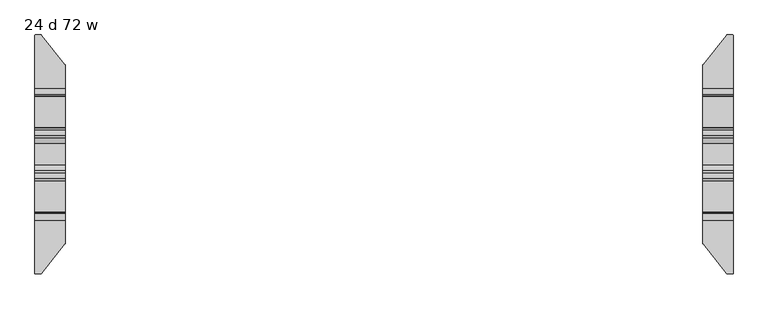
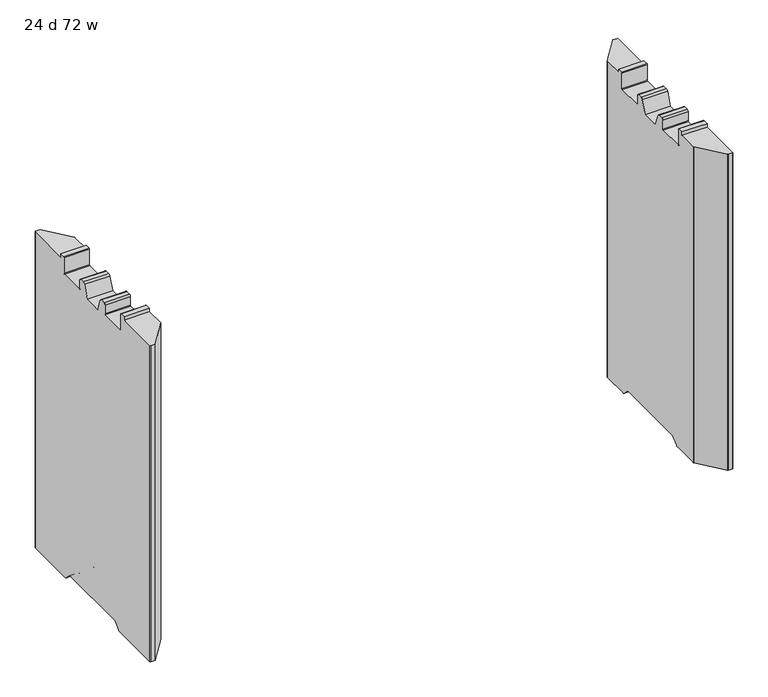
"""IFC4 building model written with IfcOpenShell, lengths in millimetres: furniture geometry, 24 d 72 w."""

from ifc_helpers import new_model, si_unit, frame, origin, place, context, project, spatial, polyline, circle_curve, source, transform, mapped, element, save
from ifc_brep_helpers import plane_surface, cylinder_surface, revolved_surface, advanced_brep


def furniture_24_d_72_w_faf47363(model_context):
    return source(origin(), model_context, "Body", "AdvancedBrep", [
        advanced_brep(
        [(-865.5161014, 301.356006, 12.2237497), (-863.8757746, 300.5624669, 12.2237497), (-804.6991168, 225.81303, 12.2237497), (-804.1789661, 224.3179953, 12.2237497), (-804.1789661, 142.5587399, 12.2237497), (-880.3632694, 142.5587399, 12.2237497), (-880.3632694, 299.7791145, 12.2237497), (-878.7863779, 301.356006, 12.2237497), (-804.1789661, -224.3179953, 12.2237497), (-804.6991168, -225.81303, 12.2237497), (-863.8757746, -300.5624669, 12.2237497), (-865.5161014, -301.356006, 12.2237497), (-878.7863779, -301.356006, 12.2237497), (-880.3632694, -299.7791145, 12.2237497), (-880.3632694, -142.5587399, 12.2237497), (-804.1789661, -142.5587399, 12.2237497), (-878.7863779, 301.356006, 1021.0901447), (-865.5161014, 301.356006, 1021.0901447), (-880.3632694, 299.7791145, 1021.0901447), (-880.3632694, 137.3594731, 14.3773565), (-880.3632694, 120.8848361, 30.8519935), (-880.3632694, 115.650421, 33.0201593), (-880.3632694, -115.650421, 33.0201593), (-880.3632694, -120.8848361, 30.8519935), (-880.3632694, -137.3594731, 14.3773565), (-880.3632694, -299.7791145, 1021.0901447), (-880.3632694, -165.7440074, 1021.0901447), (-880.3632694, -165.7440074, 1032.1001558), (-880.3632694, -149.8559965, 1032.1001558), (-880.3632694, -147.8560005, 1030.1001598), (-880.3632694, -147.8560005, 980.6251456), (-880.3632694, -145.8560045, 978.6251495), (-880.3632694, -67.8560008, 978.6251495), (-880.3632694, -65.8560002, 980.6251501), (-880.3632694, -65.8560002, 1008.6251352), (-880.3632694, -60.855942, 1013.6251934), (-880.3632694, -47.3023259, 1013.6251934), (-880.3632694, -41.335277, 1009.4470192), (-880.3632694, -27.2052798, 970.6251291), (-880.3632694, 27.2052798, 970.6251291), (-880.3632694, 41.335277, 1009.4470192), (-880.3632694, 47.3023259, 1013.6251934), (-880.3632694, 60.855942, 1013.6251934), (-880.3632694, 65.8560002, 1008.6251352), (-880.3632694, 65.8560002, 980.6251501), (-880.3632694, 67.8560008, 978.6251495), (-880.3632694, 145.8560045, 978.6251495), (-880.3632694, 147.8560005, 980.6251456), (-880.3632694, 147.8560005, 1030.1001598), (-880.3632694, 149.8559965, 1032.1001558), (-880.3632694, 165.7440074, 1032.1001558), (-880.3632694, 165.7440074, 1021.0901447), (-878.7863779, -301.356006, 1021.0901447), (-865.5161014, -301.356006, 1021.0901447), (-863.8757746, -300.5624669, 1021.0901447), (-804.6991168, -225.81303, 1021.0901447), (-804.1789661, -224.3179953, 1021.0901447), (-804.1789661, -137.3594731, 14.3773565), (-804.1789661, -120.8848361, 30.8519935), (-804.1789661, -115.650421, 33.0201593), (-804.1789661, 115.650421, 33.0201593), (-804.1789661, 120.8848361, 30.8519935), (-804.1789661, 137.3594731, 14.3773565), (-804.1789661, 224.3179953, 1021.0901447), (-804.1789661, 165.7440074, 1021.0901447), (-804.1789661, 165.7440074, 1032.1001558), (-804.1789661, 149.8559965, 1032.1001558), (-804.1789661, 147.8560005, 1030.1001598), (-804.1789661, 147.8560005, 980.6251456), (-804.1789661, 145.8560045, 978.6251495), (-804.1789661, 67.8560008, 978.6251495), (-804.1789661, 65.8560002, 980.6251501), (-804.1789661, 65.8560002, 1008.6251352), (-804.1789661, 60.855942, 1013.6251934), (-804.1789661, 47.3023259, 1013.6251934), (-804.1789661, 41.335277, 1009.4470192), (-804.1789661, 27.2052798, 970.6251291), (-804.1789661, -27.2052798, 970.6251291), (-804.1789661, -41.335277, 1009.4470192), (-804.1789661, -47.3023259, 1013.6251934), (-804.1789661, -60.855942, 1013.6251934), (-804.1789661, -65.8560002, 1008.6251352), (-804.1789661, -65.8560002, 980.6251501), (-804.1789661, -67.8560008, 978.6251495), (-804.1789661, -145.8560045, 978.6251495), (-804.1789661, -147.8560005, 980.6251456), (-804.1789661, -147.8560005, 1030.1001598), (-804.1789661, -149.8559965, 1032.1001558), (-804.1789661, -165.7440074, 1032.1001558), (-804.1789661, -165.7440074, 1021.0901447), (-804.6991168, 225.81303, 1021.0901447), (-863.8757746, 300.5624669, 1021.0901447)],
        [
            (0, 1, circle_curve(frame((-865.5161014, 299.2638745, 12.2237497), z_axis=(0.0, 0.0, -1.0), x_axis=(-1.0, 0.0, 0.0)), 2.0921315)),
            (1, 2),
            (2, 3, circle_curve(frame((-806.587581, 224.3179953, 12.2237497), z_axis=(0.0, 0.0, -1.0), x_axis=(-1.0, 0.0, 0.0)), 2.4086149)),
            (3, 4),
            (4, 5),
            (5, 6),
            (6, 7, circle_curve(frame((-878.7863779, 299.7791145, 12.2237497), z_axis=(0.0, 0.0, -1.0), x_axis=(-1.0, 0.0, 0.0)), 1.5768915)),
            (7, 0),
            (8, 9, circle_curve(frame((-806.587581, -224.3179953, 12.2237497), z_axis=(0.0, 0.0, -1.0), x_axis=(-1.0, 0.0, 0.0)), 2.4086149)),
            (9, 10),
            (10, 11, circle_curve(frame((-865.5161014, -299.2638745, 12.2237497), z_axis=(0.0, 0.0, -1.0), x_axis=(-1.0, 0.0, 0.0)), 2.0921315)),
            (11, 12),
            (12, 13, circle_curve(frame((-878.7863779, -299.7791145, 12.2237497), z_axis=(0.0, 0.0, -1.0), x_axis=(-1.0, 0.0, 0.0)), 1.5768915)),
            (13, 14),
            (14, 15),
            (15, 8),
            (7, 16),
            (16, 17),
            (17, 0),
            (6, 18),
            (18, 16, circle_curve(frame((-878.7863779, 299.7791145, 1021.0901447), z_axis=(0.0, 0.0, -1.0), x_axis=(-1.0, 0.0, 0.0)), 1.5768915)),
            (5, 19, circle_curve(frame((-880.3632694, 142.5587399, 19.5766232), z_axis=(-1.0, 0.0, 0.0), x_axis=(0.0, -1.0, 0.0)), 7.3528735)),
            (19, 20),
            (20, 21, circle_curve(frame((-880.3632694, 115.650421, 25.6175784), z_axis=(1.0, 0.0, 0.0), x_axis=(0.0, -1.0, 0.0)), 7.4025809)),
            (21, 22),
            (22, 23, circle_curve(frame((-880.3632694, -115.650421, 25.6175784), z_axis=(1.0, 0.0, 0.0), x_axis=(0.0, -1.0, 0.0)), 7.4025809)),
            (23, 24),
            (24, 14, circle_curve(frame((-880.3632694, -142.5587399, 19.5766232), z_axis=(-1.0, 0.0, 0.0), x_axis=(0.0, -1.0, 0.0)), 7.3528735)),
            (13, 25),
            (25, 26),
            (26, 27),
            (27, 28),
            (28, 29, circle_curve(frame((-880.3632694, -149.8559965, 1030.1001598), z_axis=(-1.0, 0.0, 0.0), x_axis=(0.0, -1.0, 0.0)), 1.999996)),
            (29, 30),
            (30, 31, circle_curve(frame((-880.3632694, -145.8560045, 980.6251456), z_axis=(1.0, 0.0, 0.0), x_axis=(0.0, -1.0, 0.0)), 1.999996)),
            (31, 32),
            (32, 33, circle_curve(frame((-880.3632694, -67.8560008, 980.6251501), z_axis=(1.0, 0.0, 0.0), x_axis=(0.0, -1.0, 0.0)), 2.0000006)),
            (33, 34),
            (34, 35, circle_curve(frame((-880.3632694, -60.855942, 1008.6251352), z_axis=(-1.0, 0.0, 0.0), x_axis=(0.0, -1.0, 0.0)), 5.0000582)),
            (35, 36),
            (36, 37, circle_curve(frame((-880.3632694, -47.3023259, 1007.2751934), z_axis=(-1.0, 0.0, 0.0), x_axis=(0.0, -1.0, 0.0)), 6.35)),
            (37, 38),
            (38, 39),
            (39, 40),
            (40, 41, circle_curve(frame((-880.3632694, 47.3023259, 1007.2751934), z_axis=(-1.0, 0.0, 0.0), x_axis=(0.0, -1.0, 0.0)), 6.35)),
            (41, 42),
            (42, 43, circle_curve(frame((-880.3632694, 60.855942, 1008.6251352), z_axis=(-1.0, 0.0, 0.0), x_axis=(0.0, -1.0, 0.0)), 5.0000582)),
            (43, 44),
            (44, 45, circle_curve(frame((-880.3632694, 67.8560008, 980.6251501), z_axis=(1.0, 0.0, 0.0), x_axis=(0.0, -1.0, 0.0)), 2.0000006)),
            (45, 46),
            (46, 47, circle_curve(frame((-880.3632694, 145.8560045, 980.6251456), z_axis=(1.0, 0.0, 0.0), x_axis=(0.0, -1.0, 0.0)), 1.999996)),
            (47, 48),
            (48, 49, circle_curve(frame((-880.3632694, 149.8559965, 1030.1001598), z_axis=(-1.0, 0.0, 0.0), x_axis=(0.0, -1.0, 0.0)), 1.999996)),
            (49, 50),
            (50, 51),
            (51, 18),
            (12, 52),
            (52, 25, circle_curve(frame((-878.7863779, -299.7791145, 1021.0901447), z_axis=(0.0, 0.0, -1.0), x_axis=(-1.0, 0.0, 0.0)), 1.5768915)),
            (11, 53),
            (53, 52),
            (10, 54),
            (54, 53, circle_curve(frame((-865.5161014, -299.2638745, 1021.0901447), z_axis=(0.0, 0.0, -1.0), x_axis=(-1.0, 0.0, 0.0)), 2.0921315)),
            (9, 55),
            (55, 54),
            (8, 56),
            (56, 55, circle_curve(frame((-806.587581, -224.3179953, 1021.0901447), z_axis=(0.0, 0.0, -1.0), x_axis=(-1.0, 0.0, 0.0)), 2.4086149)),
            (15, 57, circle_curve(frame((-804.1789661, -142.5587399, 19.5766232), z_axis=(1.0, 0.0, 0.0), x_axis=(0.0, -1.0, 0.0)), 7.3528735)),
            (57, 58),
            (58, 59, circle_curve(frame((-804.1789661, -115.650421, 25.6175784), z_axis=(-1.0, 0.0, 0.0), x_axis=(0.0, -1.0, 0.0)), 7.4025809)),
            (59, 60),
            (60, 61, circle_curve(frame((-804.1789661, 115.650421, 25.6175784), z_axis=(-1.0, 0.0, 0.0), x_axis=(0.0, -1.0, 0.0)), 7.4025809)),
            (61, 62),
            (62, 4, circle_curve(frame((-804.1789661, 142.5587399, 19.5766232), z_axis=(1.0, 0.0, 0.0), x_axis=(0.0, -1.0, 0.0)), 7.3528735)),
            (3, 63),
            (63, 64),
            (64, 65),
            (65, 66),
            (66, 67, circle_curve(frame((-804.1789661, 149.8559965, 1030.1001598), z_axis=(1.0, 0.0, 0.0), x_axis=(0.0, -1.0, 0.0)), 1.999996)),
            (67, 68),
            (68, 69, circle_curve(frame((-804.1789661, 145.8560045, 980.6251456), z_axis=(-1.0, 0.0, 0.0), x_axis=(0.0, -1.0, 0.0)), 1.999996)),
            (69, 70),
            (70, 71, circle_curve(frame((-804.1789661, 67.8560008, 980.6251501), z_axis=(-1.0, 0.0, 0.0), x_axis=(0.0, -1.0, 0.0)), 2.0000006)),
            (71, 72),
            (72, 73, circle_curve(frame((-804.1789661, 60.855942, 1008.6251352), z_axis=(1.0, 0.0, 0.0), x_axis=(0.0, -1.0, 0.0)), 5.0000582)),
            (73, 74),
            (74, 75, circle_curve(frame((-804.1789661, 47.3023259, 1007.2751934), z_axis=(1.0, 0.0, 0.0), x_axis=(0.0, -1.0, 0.0)), 6.35)),
            (75, 76),
            (76, 77),
            (77, 78),
            (78, 79, circle_curve(frame((-804.1789661, -47.3023259, 1007.2751934), z_axis=(1.0, 0.0, 0.0), x_axis=(0.0, -1.0, 0.0)), 6.35)),
            (79, 80),
            (80, 81, circle_curve(frame((-804.1789661, -60.855942, 1008.6251352), z_axis=(1.0, 0.0, 0.0), x_axis=(0.0, -1.0, 0.0)), 5.0000582)),
            (81, 82),
            (82, 83, circle_curve(frame((-804.1789661, -67.8560008, 980.6251501), z_axis=(-1.0, 0.0, 0.0), x_axis=(0.0, -1.0, 0.0)), 2.0000006)),
            (83, 84),
            (84, 85, circle_curve(frame((-804.1789661, -145.8560045, 980.6251456), z_axis=(-1.0, 0.0, 0.0), x_axis=(0.0, -1.0, 0.0)), 1.999996)),
            (85, 86),
            (86, 87, circle_curve(frame((-804.1789661, -149.8559965, 1030.1001598), z_axis=(1.0, 0.0, 0.0), x_axis=(0.0, -1.0, 0.0)), 1.999996)),
            (87, 88),
            (88, 89),
            (89, 56),
            (2, 90),
            (90, 63, circle_curve(frame((-806.587581, 224.3179953, 1021.0901447), z_axis=(0.0, 0.0, -1.0), x_axis=(-1.0, 0.0, 0.0)), 2.4086149)),
            (1, 91),
            (91, 90),
            (17, 91, circle_curve(frame((-865.5161014, 299.2638745, 1021.0901447), z_axis=(0.0, 0.0, -1.0), x_axis=(-1.0, 0.0, 0.0)), 2.0921315)),
            (50, 65),
            (64, 51),
            (89, 26),
            (88, 27),
            (87, 28),
            (86, 29),
            (85, 30),
            (84, 31),
            (83, 32),
            (82, 33),
            (81, 34),
            (80, 35),
            (79, 36),
            (78, 37),
            (77, 38),
            (76, 39),
            (75, 40),
            (74, 41),
            (73, 42),
            (72, 43),
            (71, 44),
            (70, 45),
            (69, 46),
            (68, 47),
            (67, 48),
            (66, 49),
            (19, 62),
            (61, 20),
            (60, 21),
            (59, 22),
            (58, 23),
            (57, 24),
        ],
        [
            plane_surface(frame((-878.7863779, 301.356006, 12.2237497), z_axis=(0.0, 0.0, -1.0), x_axis=(1.0, 0.0, 0.0))),
            plane_surface(frame((-865.5161014, 301.356006, 1037.2344355), z_axis=(0.0, 1.0, 0.0), x_axis=(0.0, 0.0, -1.0))),
            cylinder_surface(frame((-878.7863779, 299.7791145, 12.2237497), z_axis=(0.0, 0.0, 1.0), x_axis=(-1.0, 0.0, 0.0)), 1.5768915),
            plane_surface(frame((-880.3632694, 299.7791145, 1037.2344355), z_axis=(-1.0, 0.0, 0.0), x_axis=(0.0, 0.0, -1.0))),
            cylinder_surface(frame((-878.7863779, -299.7791145, 12.2237497), z_axis=(0.0, 0.0, 1.0), x_axis=(-1.0, 0.0, 0.0)), 1.5768915),
            plane_surface(frame((-878.7863779, -301.356006, 1037.2344355), z_axis=(0.0, -1.0, 0.0), x_axis=(0.0, 0.0, -1.0))),
            cylinder_surface(frame((-865.5161014, -299.2638745, 12.2237497), z_axis=(0.0, 0.0, 1.0), x_axis=(-1.0, 0.0, 0.0)), 2.0921315),
            plane_surface(frame((-863.8757746, -300.5624669, 1037.2344355), z_axis=(0.7840457211746515, -0.620703074833467, 0.0), x_axis=(0.0, 0.0, -1.0))),
            cylinder_surface(frame((-806.587581, -224.3179953, 12.2237497), z_axis=(0.0, 0.0, 1.0), x_axis=(-1.0, 0.0, 0.0)), 2.4086149),
            plane_surface(frame((-804.1789661, -224.3179953, 1037.2344355), z_axis=(1.0, 0.0, 0.0), x_axis=(0.0, 0.0, -1.0))),
            cylinder_surface(frame((-806.587581, 224.3179953, 12.2237497), z_axis=(0.0, 0.0, 1.0), x_axis=(-1.0, 0.0, 0.0)), 2.4086149),
            plane_surface(frame((-804.6991168, 225.81303, 1037.2344355), z_axis=(0.7840457211746271, 0.6207030748334981, 0.0), x_axis=(0.0, 0.0, -1.0))),
            cylinder_surface(frame((-865.5161014, 299.2638745, 12.2237497), z_axis=(0.0, 0.0, 1.0), x_axis=(-1.0, 0.0, 0.0)), 2.0921315),
            plane_surface(frame((880.3632694, 165.7440074, 1032.1001558), z_axis=(0.0, 1.0, 0.0), x_axis=(-1.0, 0.0, 0.0))),
            plane_surface(frame((880.3632694, 165.7440074, 1021.0901447), z_axis=(0.0, 0.0, 1.0), x_axis=(-1.0, 0.0, 0.0))),
            plane_surface(frame((880.3632694, -302.7440027, 1021.0901447), z_axis=(0.0, 0.0, 1.0), x_axis=(-1.0, 0.0, 0.0))),
            plane_surface(frame((880.3632694, -165.7440074, 1021.0901447), z_axis=(0.0, -1.0, 0.0), x_axis=(-1.0, 0.0, 0.0))),
            plane_surface(frame((880.3632694, -165.7440074, 1032.1001558), z_axis=(0.0, 0.0, 1.0), x_axis=(-1.0, 0.0, 0.0))),
            cylinder_surface(frame((880.3632694, -149.8559965, 1030.1001598), z_axis=(-1.0, 0.0, 0.0), x_axis=(0.0, -1.0, 0.0)), 1.999996),
            plane_surface(frame((880.3632694, -147.8560005, 1030.1001598), z_axis=(0.0, 1.0, 0.0), x_axis=(-1.0, 0.0, 0.0))),
            revolved_surface(polyline([(-804.1789661, -147.85600050000002, 980.6251456), (-880.3632694, -147.85600050000002, 980.6251456)]), (880.3632694, -145.8560045, 980.6251456), (1.0, 0.0, 0.0)),
            plane_surface(frame((880.3632694, -145.8560045, 978.6251495), z_axis=(0.0, 0.0, 1.0), x_axis=(-1.0, 0.0, 0.0))),
            revolved_surface(polyline([(-804.1789661, -69.8560014, 980.6251501), (-880.3632694, -69.8560014, 980.6251501)]), (880.3632694, -67.8560008, 980.6251501), (1.0, 0.0, 0.0)),
            plane_surface(frame((880.3632694, -65.8560002, 980.6251501), z_axis=(0.0, -1.0, 0.0), x_axis=(-1.0, 0.0, 0.0))),
            cylinder_surface(frame((880.3632694, -60.855942, 1008.6251352), z_axis=(-1.0, 0.0, 0.0), x_axis=(0.0, -1.0, 0.0)), 5.0000582),
            plane_surface(frame((880.3632694, -60.855942, 1013.6251934), z_axis=(0.0, 0.0, 1.0), x_axis=(-1.0, 0.0, 0.0))),
            cylinder_surface(frame((880.3632694, -47.3023259, 1007.2751934), z_axis=(-1.0, 0.0, 0.0), x_axis=(0.0, -1.0, 0.0)), 6.35),
            plane_surface(frame((880.3632694, -41.335277, 1009.4470192), z_axis=(0.0, 0.9396927394269927, 0.3420198173617928), x_axis=(-1.0, 0.0, 0.0))),
            plane_surface(frame((880.3632694, -27.2052798, 970.6251291), z_axis=(0.0, 0.0, 1.0), x_axis=(-1.0, 0.0, 0.0))),
            plane_surface(frame((880.3632694, 27.2052798, 970.6251291), z_axis=(0.0, -0.9396927394269927, 0.3420198173617928), x_axis=(-1.0, 0.0, 0.0))),
            cylinder_surface(frame((880.3632694, 47.3023259, 1007.2751934), z_axis=(-1.0, 0.0, 0.0), x_axis=(0.0, -1.0, 0.0)), 6.35),
            plane_surface(frame((880.3632694, 47.3023259, 1013.6251934), z_axis=(0.0, 0.0, 1.0), x_axis=(-1.0, 0.0, 0.0))),
            cylinder_surface(frame((880.3632694, 60.855942, 1008.6251352), z_axis=(-1.0, 0.0, 0.0), x_axis=(0.0, -1.0, 0.0)), 5.0000582),
            plane_surface(frame((880.3632694, 65.8560002, 1008.6251352), z_axis=(0.0, 1.0, 0.0), x_axis=(-1.0, 0.0, 0.0))),
            revolved_surface(polyline([(-804.1789661, 65.85600020000001, 980.6251501), (-880.3632694, 65.85600020000001, 980.6251501)]), (880.3632694, 67.8560008, 980.6251501), (1.0, 0.0, 0.0)),
            plane_surface(frame((880.3632694, 67.8560008, 978.6251495), z_axis=(0.0, 0.0, 1.0), x_axis=(-1.0, 0.0, 0.0))),
            revolved_surface(polyline([(-804.1789661, 143.8560085, 980.6251456), (-880.3632694, 143.8560085, 980.6251456)]), (880.3632694, 145.8560045, 980.6251456), (1.0, 0.0, 0.0)),
            plane_surface(frame((880.3632694, 147.8560005, 980.6251456), z_axis=(0.0, -1.0, 0.0), x_axis=(-1.0, 0.0, 0.0))),
            cylinder_surface(frame((880.3632694, 149.8559965, 1030.1001598), z_axis=(-1.0, 0.0, 0.0), x_axis=(0.0, -1.0, 0.0)), 1.999996),
            plane_surface(frame((880.3632694, 149.8559965, 1032.1001558), z_axis=(0.0, 0.0, 1.0), x_axis=(-1.0, 0.0, 0.0))),
            plane_surface(frame((880.3632694, 137.3594731, 14.3773565), z_axis=(0.0, -0.7071067811865476, -0.7071067811865476), x_axis=(-1.0, 0.0, 0.0))),
            revolved_surface(polyline([(-804.1789661, 108.24784009999999, 25.6175784), (-880.3632694, 108.24784009999999, 25.6175784)]), (880.3632694, 115.650421, 25.6175784), (1.0, 0.0, 0.0)),
            plane_surface(frame((880.3632694, 115.650421, 33.0201593), z_axis=(0.0, 0.0, -1.0), x_axis=(-1.0, 0.0, 0.0))),
            revolved_surface(polyline([(-804.1789661, -123.0530019, 25.6175784), (-880.3632694, -123.0530019, 25.6175784)]), (880.3632694, -115.650421, 25.6175784), (1.0, 0.0, 0.0)),
            plane_surface(frame((880.3632694, -120.8848361, 30.8519935), z_axis=(0.0, 0.7071067811865467, -0.7071067811865483), x_axis=(-1.0, 0.0, 0.0))),
            cylinder_surface(frame((880.3632694, -142.5587399, 19.5766232), z_axis=(-1.0, 0.0, 0.0), x_axis=(0.0, -1.0, 0.0)), 7.3528735),
            cylinder_surface(frame((880.3632694, 142.5587399, 19.5766232), z_axis=(-1.0, 0.0, 0.0), x_axis=(0.0, -1.0, 0.0)), 7.3528735),
        ],
        [
            (0, [[1, 2, 3, 4, 5, 6, 7, 8]]),
            (0, [[9, 10, 11, 12, 13, 14, 15, 16]]),
            (1, [[-8, 17, 18, 19]]),
            (2, [[-7, 20, 21, -17]]),
            (3, [[-20, -6, 22, 23, 24, 25, 26, 27, 28, -14, 29, 30, 31, 32, 33, 34, 35, 36, 37, 38, 39, 40, 41, 42, 43, 44, 45, 46, 47, 48, 49, 50, 51, 52, 53, 54, 55, 56]]),
            (4, [[-13, 57, 58, -29]]),
            (5, [[-12, 59, 60, -57]]),
            (6, [[-11, 61, 62, -59]]),
            (7, [[-10, 63, 64, -61]]),
            (8, [[-9, 65, 66, -63]]),
            (9, [[-65, -16, 67, 68, 69, 70, 71, 72, 73, -4, 74, 75, 76, 77, 78, 79, 80, 81, 82, 83, 84, 85, 86, 87, 88, 89, 90, 91, 92, 93, 94, 95, 96, 97, 98, 99, 100, 101]]),
            (10, [[-3, 102, 103, -74]]),
            (11, [[-2, 104, 105, -102]]),
            (12, [[-1, -19, 106, -104]]),
            (13, [[107, -76, 108, -55]]),
            (14, [[-108, -75, -103, -105, -106, -18, -21, -56]]),
            (15, [[109, -30, -58, -60, -62, -64, -66, -101]]),
            (16, [[-109, -100, 110, -31]]),
            (17, [[-110, -99, 111, -32]]),
            (18, [[-111, -98, 112, -33]]),
            (19, [[-112, -97, 113, -34]]),
            (20, [[-113, -96, 114, -35]]),
            (21, [[-114, -95, 115, -36]]),
            (22, [[-115, -94, 116, -37]]),
            (23, [[-116, -93, 117, -38]]),
            (24, [[-117, -92, 118, -39]]),
            (25, [[-118, -91, 119, -40]]),
            (26, [[-119, -90, 120, -41]]),
            (27, [[-120, -89, 121, -42]]),
            (28, [[-121, -88, 122, -43]]),
            (29, [[-122, -87, 123, -44]]),
            (30, [[-123, -86, 124, -45]]),
            (31, [[-124, -85, 125, -46]]),
            (32, [[-125, -84, 126, -47]]),
            (33, [[-126, -83, 127, -48]]),
            (34, [[-127, -82, 128, -49]]),
            (35, [[-128, -81, 129, -50]]),
            (36, [[-129, -80, 130, -51]]),
            (37, [[-130, -79, 131, -52]]),
            (38, [[-131, -78, 132, -53]]),
            (39, [[-107, -54, -132, -77]]),
            (40, [[133, -72, 134, -23]]),
            (41, [[-134, -71, 135, -24]]),
            (42, [[-135, -70, 136, -25]]),
            (43, [[-136, -69, 137, -26]]),
            (44, [[-137, -68, 138, -27]]),
            (45, [[-138, -67, -15, -28]]),
            (46, [[-133, -22, -5, -73]]),
        ],
    ),
        advanced_brep(
        [(865.5161014, 301.356006, 12.2237497), (878.7863779, 301.356006, 12.2237497), (880.3632694, 299.7791145, 12.2237497), (880.3632694, 142.5587399, 12.2237497), (804.1789661, 142.5587399, 12.2237497), (804.1789661, 224.3179953, 12.2237497), (804.6991168, 225.81303, 12.2237497), (863.8757746, 300.5624669, 12.2237497), (880.3632694, -299.7791145, 12.2237497), (878.7863779, -301.356006, 12.2237497), (865.5161014, -301.356006, 12.2237497), (863.8757746, -300.5624669, 12.2237497), (804.6991168, -225.81303, 12.2237497), (804.1789661, -224.3179953, 12.2237497), (804.1789661, -142.5587399, 12.2237497), (880.3632694, -142.5587399, 12.2237497), (863.8757746, 300.5624669, 1021.0901447), (865.5161014, 301.356006, 1021.0901447), (804.6991168, 225.81303, 1021.0901447), (804.1789661, 224.3179953, 1021.0901447), (804.1789661, 137.3594731, 14.3773565), (804.1789661, 120.8848361, 30.8519935), (804.1789661, 115.650421, 33.0201593), (804.1789661, -115.650421, 33.0201593), (804.1789661, -120.8848361, 30.8519935), (804.1789661, -137.3594731, 14.3773565), (804.1789661, -224.3179953, 1021.0901447), (804.1789661, -165.7440074, 1021.0901447), (804.1789661, -165.7440074, 1032.1001558), (804.1789661, -149.8559965, 1032.1001558), (804.1789661, -147.8560005, 1030.1001598), (804.1789661, -147.8560005, 980.6251456), (804.1789661, -145.8560045, 978.6251495), (804.1789661, -67.8560008, 978.6251495), (804.1789661, -65.8560002, 980.6251501), (804.1789661, -65.8560002, 1008.6251352), (804.1789661, -60.855942, 1013.6251934), (804.1789661, -47.3023259, 1013.6251934), (804.1789661, -41.335277, 1009.4470192), (804.1789661, -27.2052798, 970.6251291), (804.1789661, 27.2052798, 970.6251291), (804.1789661, 41.335277, 1009.4470192), (804.1789661, 47.3023259, 1013.6251934), (804.1789661, 60.855942, 1013.6251934), (804.1789661, 65.8560002, 1008.6251352), (804.1789661, 65.8560002, 980.6251501), (804.1789661, 67.8560008, 978.6251495), (804.1789661, 145.8560045, 978.6251495), (804.1789661, 147.8560005, 980.6251456), (804.1789661, 147.8560005, 1030.1001598), (804.1789661, 149.8559965, 1032.1001558), (804.1789661, 165.7440074, 1032.1001558), (804.1789661, 165.7440074, 1021.0901447), (804.6991168, -225.81303, 1021.0901447), (863.8757746, -300.5624669, 1021.0901447), (865.5161014, -301.356006, 1021.0901447), (878.7863779, -301.356006, 1021.0901447), (880.3632694, -299.7791145, 1021.0901447), (880.3632694, -137.3594731, 14.3773565), (880.3632694, -120.8848361, 30.8519935), (880.3632694, -115.650421, 33.0201593), (880.3632694, 115.650421, 33.0201593), (880.3632694, 120.8848361, 30.8519935), (880.3632694, 137.3594731, 14.3773565), (880.3632694, 299.7791145, 1021.0901447), (880.3632694, 165.7440074, 1021.0901447), (880.3632694, 165.7440074, 1032.1001558), (880.3632694, 149.8559965, 1032.1001558), (880.3632694, 147.8560005, 1030.1001598), (880.3632694, 147.8560005, 980.6251456), (880.3632694, 145.8560045, 978.6251495), (880.3632694, 67.8560008, 978.6251495), (880.3632694, 65.8560002, 980.6251501), (880.3632694, 65.8560002, 1008.6251352), (880.3632694, 60.855942, 1013.6251934), (880.3632694, 47.3023259, 1013.6251934), (880.3632694, 41.335277, 1009.4470192), (880.3632694, 27.2052798, 970.6251291), (880.3632694, -27.2052798, 970.6251291), (880.3632694, -41.335277, 1009.4470192), (880.3632694, -47.3023259, 1013.6251934), (880.3632694, -60.855942, 1013.6251934), (880.3632694, -65.8560002, 1008.6251352), (880.3632694, -65.8560002, 980.6251501), (880.3632694, -67.8560008, 978.6251495), (880.3632694, -145.8560045, 978.6251495), (880.3632694, -147.8560005, 980.6251456), (880.3632694, -147.8560005, 1030.1001598), (880.3632694, -149.8559965, 1032.1001558), (880.3632694, -165.7440074, 1032.1001558), (880.3632694, -165.7440074, 1021.0901447), (878.7863779, 301.356006, 1021.0901447)],
        [
            (0, 1),
            (1, 2, circle_curve(frame((878.7863779, 299.7791145, 12.2237497), z_axis=(0.0, 0.0, -1.0), x_axis=(-1.0, 0.0, 0.0)), 1.5768915)),
            (2, 3),
            (3, 4),
            (4, 5),
            (5, 6, circle_curve(frame((806.587581, 224.3179953, 12.2237497), z_axis=(0.0, 0.0, -1.0), x_axis=(-1.0, 0.0, 0.0)), 2.4086149)),
            (6, 7),
            (7, 0, circle_curve(frame((865.5161014, 299.2638745, 12.2237497), z_axis=(0.0, 0.0, -1.0), x_axis=(-1.0, 0.0, 0.0)), 2.0921315)),
            (8, 9, circle_curve(frame((878.7863779, -299.7791145, 12.2237497), z_axis=(0.0, 0.0, -1.0), x_axis=(-1.0, 0.0, 0.0)), 1.5768915)),
            (9, 10),
            (10, 11, circle_curve(frame((865.5161014, -299.2638745, 12.2237497), z_axis=(0.0, 0.0, -1.0), x_axis=(-1.0, 0.0, 0.0)), 2.0921315)),
            (11, 12),
            (12, 13, circle_curve(frame((806.587581, -224.3179953, 12.2237497), z_axis=(0.0, 0.0, -1.0), x_axis=(-1.0, 0.0, 0.0)), 2.4086149)),
            (13, 14),
            (14, 15),
            (15, 8),
            (7, 16),
            (16, 17, circle_curve(frame((865.5161014, 299.2638745, 1021.0901447), z_axis=(0.0, 0.0, -1.0), x_axis=(-1.0, 0.0, 0.0)), 2.0921315)),
            (17, 0),
            (6, 18),
            (18, 16),
            (5, 19),
            (19, 18, circle_curve(frame((806.587581, 224.3179953, 1021.0901447), z_axis=(0.0, 0.0, -1.0), x_axis=(-1.0, 0.0, 0.0)), 2.4086149)),
            (4, 20, circle_curve(frame((804.1789661, 142.5587399, 19.5766232), z_axis=(-1.0, 0.0, 0.0), x_axis=(0.0, -1.0, 0.0)), 7.3528735)),
            (20, 21),
            (21, 22, circle_curve(frame((804.1789661, 115.650421, 25.6175784), z_axis=(1.0, 0.0, 0.0), x_axis=(0.0, -1.0, 0.0)), 7.4025809)),
            (22, 23),
            (23, 24, circle_curve(frame((804.1789661, -115.650421, 25.6175784), z_axis=(1.0, 0.0, 0.0), x_axis=(0.0, -1.0, 0.0)), 7.4025809)),
            (24, 25),
            (25, 14, circle_curve(frame((804.1789661, -142.5587399, 19.5766232), z_axis=(-1.0, 0.0, 0.0), x_axis=(0.0, -1.0, 0.0)), 7.3528735)),
            (13, 26),
            (26, 27),
            (27, 28),
            (28, 29),
            (29, 30, circle_curve(frame((804.1789661, -149.8559965, 1030.1001598), z_axis=(-1.0, 0.0, 0.0), x_axis=(0.0, -1.0, 0.0)), 1.999996)),
            (30, 31),
            (31, 32, circle_curve(frame((804.1789661, -145.8560045, 980.6251456), z_axis=(1.0, 0.0, 0.0), x_axis=(0.0, -1.0, 0.0)), 1.999996)),
            (32, 33),
            (33, 34, circle_curve(frame((804.1789661, -67.8560008, 980.6251501), z_axis=(1.0, 0.0, 0.0), x_axis=(0.0, -1.0, 0.0)), 2.0000006)),
            (34, 35),
            (35, 36, circle_curve(frame((804.1789661, -60.855942, 1008.6251352), z_axis=(-1.0, 0.0, 0.0), x_axis=(0.0, -1.0, 0.0)), 5.0000582)),
            (36, 37),
            (37, 38, circle_curve(frame((804.1789661, -47.3023259, 1007.2751934), z_axis=(-1.0, 0.0, 0.0), x_axis=(0.0, -1.0, 0.0)), 6.35)),
            (38, 39),
            (39, 40),
            (40, 41),
            (41, 42, circle_curve(frame((804.1789661, 47.3023259, 1007.2751934), z_axis=(-1.0, 0.0, 0.0), x_axis=(0.0, -1.0, 0.0)), 6.35)),
            (42, 43),
            (43, 44, circle_curve(frame((804.1789661, 60.855942, 1008.6251352), z_axis=(-1.0, 0.0, 0.0), x_axis=(0.0, -1.0, 0.0)), 5.0000582)),
            (44, 45),
            (45, 46, circle_curve(frame((804.1789661, 67.8560008, 980.6251501), z_axis=(1.0, 0.0, 0.0), x_axis=(0.0, -1.0, 0.0)), 2.0000006)),
            (46, 47),
            (47, 48, circle_curve(frame((804.1789661, 145.8560045, 980.6251456), z_axis=(1.0, 0.0, 0.0), x_axis=(0.0, -1.0, 0.0)), 1.999996)),
            (48, 49),
            (49, 50, circle_curve(frame((804.1789661, 149.8559965, 1030.1001598), z_axis=(-1.0, 0.0, 0.0), x_axis=(0.0, -1.0, 0.0)), 1.999996)),
            (50, 51),
            (51, 52),
            (52, 19),
            (12, 53),
            (53, 26, circle_curve(frame((806.587581, -224.3179953, 1021.0901447), z_axis=(0.0, 0.0, -1.0), x_axis=(-1.0, 0.0, 0.0)), 2.4086149)),
            (11, 54),
            (54, 53),
            (10, 55),
            (55, 54, circle_curve(frame((865.5161014, -299.2638745, 1021.0901447), z_axis=(0.0, 0.0, -1.0), x_axis=(-1.0, 0.0, 0.0)), 2.0921315)),
            (9, 56),
            (56, 55),
            (8, 57),
            (57, 56, circle_curve(frame((878.7863779, -299.7791145, 1021.0901447), z_axis=(0.0, 0.0, -1.0), x_axis=(-1.0, 0.0, 0.0)), 1.5768915)),
            (15, 58, circle_curve(frame((880.3632694, -142.5587399, 19.5766232), z_axis=(1.0, 0.0, 0.0), x_axis=(0.0, -1.0, 0.0)), 7.3528735)),
            (58, 59),
            (59, 60, circle_curve(frame((880.3632694, -115.650421, 25.6175784), z_axis=(-1.0, 0.0, 0.0), x_axis=(0.0, -1.0, 0.0)), 7.4025809)),
            (60, 61),
            (61, 62, circle_curve(frame((880.3632694, 115.650421, 25.6175784), z_axis=(-1.0, 0.0, 0.0), x_axis=(0.0, -1.0, 0.0)), 7.4025809)),
            (62, 63),
            (63, 3, circle_curve(frame((880.3632694, 142.5587399, 19.5766232), z_axis=(1.0, 0.0, 0.0), x_axis=(0.0, -1.0, 0.0)), 7.3528735)),
            (2, 64),
            (64, 65),
            (65, 66),
            (66, 67),
            (67, 68, circle_curve(frame((880.3632694, 149.8559965, 1030.1001598), z_axis=(1.0, 0.0, 0.0), x_axis=(0.0, -1.0, 0.0)), 1.999996)),
            (68, 69),
            (69, 70, circle_curve(frame((880.3632694, 145.8560045, 980.6251456), z_axis=(-1.0, 0.0, 0.0), x_axis=(0.0, -1.0, 0.0)), 1.999996)),
            (70, 71),
            (71, 72, circle_curve(frame((880.3632694, 67.8560008, 980.6251501), z_axis=(-1.0, 0.0, 0.0), x_axis=(0.0, -1.0, 0.0)), 2.0000006)),
            (72, 73),
            (73, 74, circle_curve(frame((880.3632694, 60.855942, 1008.6251352), z_axis=(1.0, 0.0, 0.0), x_axis=(0.0, -1.0, 0.0)), 5.0000582)),
            (74, 75),
            (75, 76, circle_curve(frame((880.3632694, 47.3023259, 1007.2751934), z_axis=(1.0, 0.0, 0.0), x_axis=(0.0, -1.0, 0.0)), 6.35)),
            (76, 77),
            (77, 78),
            (78, 79),
            (79, 80, circle_curve(frame((880.3632694, -47.3023259, 1007.2751934), z_axis=(1.0, 0.0, 0.0), x_axis=(0.0, -1.0, 0.0)), 6.35)),
            (80, 81),
            (81, 82, circle_curve(frame((880.3632694, -60.855942, 1008.6251352), z_axis=(1.0, 0.0, 0.0), x_axis=(0.0, -1.0, 0.0)), 5.0000582)),
            (82, 83),
            (83, 84, circle_curve(frame((880.3632694, -67.8560008, 980.6251501), z_axis=(-1.0, 0.0, 0.0), x_axis=(0.0, -1.0, 0.0)), 2.0000006)),
            (84, 85),
            (85, 86, circle_curve(frame((880.3632694, -145.8560045, 980.6251456), z_axis=(-1.0, 0.0, 0.0), x_axis=(0.0, -1.0, 0.0)), 1.999996)),
            (86, 87),
            (87, 88, circle_curve(frame((880.3632694, -149.8559965, 1030.1001598), z_axis=(1.0, 0.0, 0.0), x_axis=(0.0, -1.0, 0.0)), 1.999996)),
            (88, 89),
            (89, 90),
            (90, 57),
            (1, 91),
            (91, 64, circle_curve(frame((878.7863779, 299.7791145, 1021.0901447), z_axis=(0.0, 0.0, -1.0), x_axis=(-1.0, 0.0, 0.0)), 1.5768915)),
            (17, 91),
            (51, 66),
            (65, 52),
            (90, 27),
            (89, 28),
            (88, 29),
            (87, 30),
            (86, 31),
            (85, 32),
            (84, 33),
            (83, 34),
            (82, 35),
            (81, 36),
            (80, 37),
            (79, 38),
            (78, 39),
            (77, 40),
            (76, 41),
            (75, 42),
            (74, 43),
            (73, 44),
            (72, 45),
            (71, 46),
            (70, 47),
            (69, 48),
            (68, 49),
            (67, 50),
            (20, 63),
            (62, 21),
            (61, 22),
            (60, 23),
            (59, 24),
            (58, 25),
        ],
        [
            plane_surface(frame((-878.7863779, 301.356006, 12.2237497), z_axis=(0.0, 0.0, -1.0), x_axis=(1.0, 0.0, 0.0))),
            cylinder_surface(frame((865.5161014, 299.2638745, 12.2237497), z_axis=(0.0, 0.0, 1.0), x_axis=(-1.0, 0.0, 0.0)), 2.0921315),
            plane_surface(frame((863.8757746, 300.5624669, 1037.2344355), z_axis=(-0.78404572117466, 0.6207030748334563, 0.0), x_axis=(0.0, 0.0, -1.0))),
            cylinder_surface(frame((806.587581, 224.3179953, 12.2237497), z_axis=(0.0, 0.0, 1.0), x_axis=(-1.0, 0.0, 0.0)), 2.4086149),
            plane_surface(frame((804.1789661, 224.3179953, 1037.2344355), z_axis=(-1.0, 0.0, 0.0), x_axis=(0.0, 0.0, -1.0))),
            cylinder_surface(frame((806.587581, -224.3179953, 12.2237497), z_axis=(0.0, 0.0, 1.0), x_axis=(-1.0, 0.0, 0.0)), 2.4086149),
            plane_surface(frame((804.6991168, -225.81303, 1037.2344355), z_axis=(-0.7840457211745944, -0.6207030748335394, 0.0), x_axis=(0.0, 0.0, -1.0))),
            cylinder_surface(frame((865.5161014, -299.2638745, 12.2237497), z_axis=(0.0, 0.0, 1.0), x_axis=(-1.0, 0.0, 0.0)), 2.0921315),
            plane_surface(frame((865.5161014, -301.356006, 1037.2344355), z_axis=(0.0, -1.0, 0.0), x_axis=(0.0, 0.0, -1.0))),
            cylinder_surface(frame((878.7863779, -299.7791145, 12.2237497), z_axis=(0.0, 0.0, 1.0), x_axis=(-1.0, 0.0, 0.0)), 1.5768915),
            plane_surface(frame((880.3632694, -299.7791145, 1037.2344355), z_axis=(1.0, 0.0, 0.0), x_axis=(0.0, 0.0, -1.0))),
            cylinder_surface(frame((878.7863779, 299.7791145, 12.2237497), z_axis=(0.0, 0.0, 1.0), x_axis=(-1.0, 0.0, 0.0)), 1.5768915),
            plane_surface(frame((878.7863779, 301.356006, 1037.2344355), z_axis=(0.0, 1.0, 0.0), x_axis=(0.0, 0.0, -1.0))),
            plane_surface(frame((880.3632694, 165.7440074, 1032.1001558), z_axis=(0.0, 1.0, 0.0), x_axis=(-1.0, 0.0, 0.0))),
            plane_surface(frame((880.3632694, 165.7440074, 1021.0901447), z_axis=(0.0, 0.0, 1.0), x_axis=(-1.0, 0.0, 0.0))),
            plane_surface(frame((880.3632694, -302.7440027, 1021.0901447), z_axis=(0.0, 0.0, 1.0), x_axis=(-1.0, 0.0, 0.0))),
            plane_surface(frame((880.3632694, -165.7440074, 1021.0901447), z_axis=(0.0, -1.0, 0.0), x_axis=(-1.0, 0.0, 0.0))),
            plane_surface(frame((880.3632694, -165.7440074, 1032.1001558), z_axis=(0.0, 0.0, 1.0), x_axis=(-1.0, 0.0, 0.0))),
            cylinder_surface(frame((880.3632694, -149.8559965, 1030.1001598), z_axis=(-1.0, 0.0, 0.0), x_axis=(0.0, -1.0, 0.0)), 1.999996),
            plane_surface(frame((880.3632694, -147.8560005, 1030.1001598), z_axis=(0.0, 1.0, 0.0), x_axis=(-1.0, 0.0, 0.0))),
            revolved_surface(polyline([(880.3632694, -147.85600050000002, 980.6251456), (804.1789661, -147.85600050000002, 980.6251456)]), (880.3632694, -145.8560045, 980.6251456), (1.0, 0.0, 0.0)),
            plane_surface(frame((880.3632694, -145.8560045, 978.6251495), z_axis=(0.0, 0.0, 1.0), x_axis=(-1.0, 0.0, 0.0))),
            revolved_surface(polyline([(880.3632694, -69.8560014, 980.6251501), (804.1789661, -69.8560014, 980.6251501)]), (880.3632694, -67.8560008, 980.6251501), (1.0, 0.0, 0.0)),
            plane_surface(frame((880.3632694, -65.8560002, 980.6251501), z_axis=(0.0, -1.0, 0.0), x_axis=(-1.0, 0.0, 0.0))),
            cylinder_surface(frame((880.3632694, -60.855942, 1008.6251352), z_axis=(-1.0, 0.0, 0.0), x_axis=(0.0, -1.0, 0.0)), 5.0000582),
            plane_surface(frame((880.3632694, -60.855942, 1013.6251934), z_axis=(0.0, 0.0, 1.0), x_axis=(-1.0, 0.0, 0.0))),
            cylinder_surface(frame((880.3632694, -47.3023259, 1007.2751934), z_axis=(-1.0, 0.0, 0.0), x_axis=(0.0, -1.0, 0.0)), 6.35),
            plane_surface(frame((880.3632694, -41.335277, 1009.4470192), z_axis=(0.0, 0.9396927394269927, 0.3420198173617928), x_axis=(-1.0, 0.0, 0.0))),
            plane_surface(frame((880.3632694, -27.2052798, 970.6251291), z_axis=(0.0, 0.0, 1.0), x_axis=(-1.0, 0.0, 0.0))),
            plane_surface(frame((880.3632694, 27.2052798, 970.6251291), z_axis=(0.0, -0.9396927394269927, 0.3420198173617928), x_axis=(-1.0, 0.0, 0.0))),
            cylinder_surface(frame((880.3632694, 47.3023259, 1007.2751934), z_axis=(-1.0, 0.0, 0.0), x_axis=(0.0, -1.0, 0.0)), 6.35),
            plane_surface(frame((880.3632694, 47.3023259, 1013.6251934), z_axis=(0.0, 0.0, 1.0), x_axis=(-1.0, 0.0, 0.0))),
            cylinder_surface(frame((880.3632694, 60.855942, 1008.6251352), z_axis=(-1.0, 0.0, 0.0), x_axis=(0.0, -1.0, 0.0)), 5.0000582),
            plane_surface(frame((880.3632694, 65.8560002, 1008.6251352), z_axis=(0.0, 1.0, 0.0), x_axis=(-1.0, 0.0, 0.0))),
            revolved_surface(polyline([(880.3632694, 65.85600020000001, 980.6251501), (804.1789661, 65.85600020000001, 980.6251501)]), (880.3632694, 67.8560008, 980.6251501), (1.0, 0.0, 0.0)),
            plane_surface(frame((880.3632694, 67.8560008, 978.6251495), z_axis=(0.0, 0.0, 1.0), x_axis=(-1.0, 0.0, 0.0))),
            revolved_surface(polyline([(880.3632694, 143.8560085, 980.6251456), (804.1789661, 143.8560085, 980.6251456)]), (880.3632694, 145.8560045, 980.6251456), (1.0, 0.0, 0.0)),
            plane_surface(frame((880.3632694, 147.8560005, 980.6251456), z_axis=(0.0, -1.0, 0.0), x_axis=(-1.0, 0.0, 0.0))),
            cylinder_surface(frame((880.3632694, 149.8559965, 1030.1001598), z_axis=(-1.0, 0.0, 0.0), x_axis=(0.0, -1.0, 0.0)), 1.999996),
            plane_surface(frame((880.3632694, 149.8559965, 1032.1001558), z_axis=(0.0, 0.0, 1.0), x_axis=(-1.0, 0.0, 0.0))),
            plane_surface(frame((880.3632694, 137.3594731, 14.3773565), z_axis=(0.0, -0.7071067811865476, -0.7071067811865476), x_axis=(-1.0, 0.0, 0.0))),
            revolved_surface(polyline([(880.3632694, 108.24784009999999, 25.6175784), (804.1789661, 108.24784009999999, 25.6175784)]), (880.3632694, 115.650421, 25.6175784), (1.0, 0.0, 0.0)),
            plane_surface(frame((880.3632694, 115.650421, 33.0201593), z_axis=(0.0, 0.0, -1.0), x_axis=(-1.0, 0.0, 0.0))),
            revolved_surface(polyline([(880.3632694, -123.0530019, 25.6175784), (804.1789661, -123.0530019, 25.6175784)]), (880.3632694, -115.650421, 25.6175784), (1.0, 0.0, 0.0)),
            plane_surface(frame((880.3632694, -120.8848361, 30.8519935), z_axis=(0.0, 0.7071067811865467, -0.7071067811865483), x_axis=(-1.0, 0.0, 0.0))),
            cylinder_surface(frame((880.3632694, -142.5587399, 19.5766232), z_axis=(-1.0, 0.0, 0.0), x_axis=(0.0, -1.0, 0.0)), 7.3528735),
            cylinder_surface(frame((880.3632694, 142.5587399, 19.5766232), z_axis=(-1.0, 0.0, 0.0), x_axis=(0.0, -1.0, 0.0)), 7.3528735),
        ],
        [
            (0, [[1, 2, 3, 4, 5, 6, 7, 8]]),
            (0, [[9, 10, 11, 12, 13, 14, 15, 16]]),
            (1, [[-8, 17, 18, 19]]),
            (2, [[-7, 20, 21, -17]]),
            (3, [[-6, 22, 23, -20]]),
            (4, [[-22, -5, 24, 25, 26, 27, 28, 29, 30, -14, 31, 32, 33, 34, 35, 36, 37, 38, 39, 40, 41, 42, 43, 44, 45, 46, 47, 48, 49, 50, 51, 52, 53, 54, 55, 56, 57, 58]]),
            (5, [[-13, 59, 60, -31]]),
            (6, [[-12, 61, 62, -59]]),
            (7, [[-11, 63, 64, -61]]),
            (8, [[-10, 65, 66, -63]]),
            (9, [[-9, 67, 68, -65]]),
            (10, [[-67, -16, 69, 70, 71, 72, 73, 74, 75, -3, 76, 77, 78, 79, 80, 81, 82, 83, 84, 85, 86, 87, 88, 89, 90, 91, 92, 93, 94, 95, 96, 97, 98, 99, 100, 101, 102, 103]]),
            (11, [[-2, 104, 105, -76]]),
            (12, [[-1, -19, 106, -104]]),
            (13, [[107, -78, 108, -57]]),
            (14, [[-108, -77, -105, -106, -18, -21, -23, -58]]),
            (15, [[109, -32, -60, -62, -64, -66, -68, -103]]),
            (16, [[-109, -102, 110, -33]]),
            (17, [[-110, -101, 111, -34]]),
            (18, [[-111, -100, 112, -35]]),
            (19, [[-112, -99, 113, -36]]),
            (20, [[-113, -98, 114, -37]]),
            (21, [[-114, -97, 115, -38]]),
            (22, [[-115, -96, 116, -39]]),
            (23, [[-116, -95, 117, -40]]),
            (24, [[-117, -94, 118, -41]]),
            (25, [[-118, -93, 119, -42]]),
            (26, [[-119, -92, 120, -43]]),
            (27, [[-120, -91, 121, -44]]),
            (28, [[-121, -90, 122, -45]]),
            (29, [[-122, -89, 123, -46]]),
            (30, [[-123, -88, 124, -47]]),
            (31, [[-124, -87, 125, -48]]),
            (32, [[-125, -86, 126, -49]]),
            (33, [[-126, -85, 127, -50]]),
            (34, [[-127, -84, 128, -51]]),
            (35, [[-128, -83, 129, -52]]),
            (36, [[-129, -82, 130, -53]]),
            (37, [[-130, -81, 131, -54]]),
            (38, [[-131, -80, 132, -55]]),
            (39, [[-107, -56, -132, -79]]),
            (40, [[133, -74, 134, -25]]),
            (41, [[-134, -73, 135, -26]]),
            (42, [[-135, -72, 136, -27]]),
            (43, [[-136, -71, 137, -28]]),
            (44, [[-137, -70, 138, -29]]),
            (45, [[-138, -69, -15, -30]]),
            (46, [[-133, -24, -4, -75]]),
        ],
    ),
    ])


if __name__ == "__main__":
    model = new_model("IFC4")
    model_context = context("Model", 3, world=origin())
    ifc_project = project(units=[si_unit("LENGTHUNIT", "METRE", prefix="MILLI")], contexts=[model_context])
    site = spatial("IfcSite", under=ifc_project)
    building = spatial("IfcBuilding", under=site)
    placement = place(None, origin())
    furniture_24_d_72_w_shape = furniture_24_d_72_w_faf47363(model_context)
    element("IfcFurniture", 1, ObjectType="24 d 72 w", at=placement, inside=building, context=model_context, shape_type="MappedRepresentation", body=[
        mapped(furniture_24_d_72_w_shape, transform((0.0, 0.0, 0.0), x_axis=(1.0, 0.0, 0.0), y_axis=(0.0, 1.0, 0.0), z_axis=(0.0, 0.0, 1.0))),
    ])
    save(model, "model.ifc")
